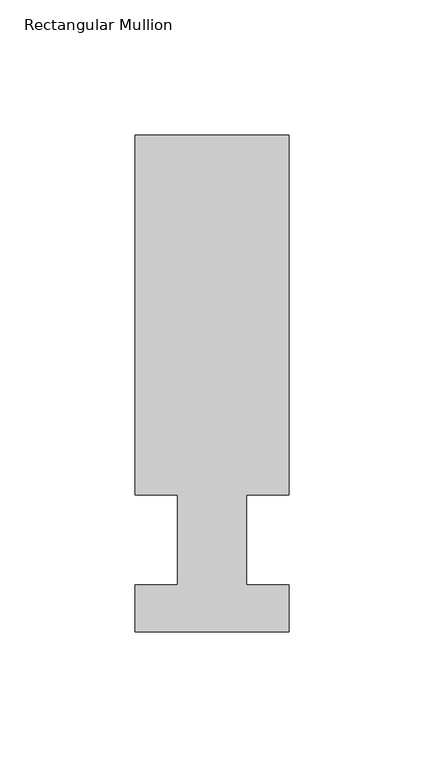
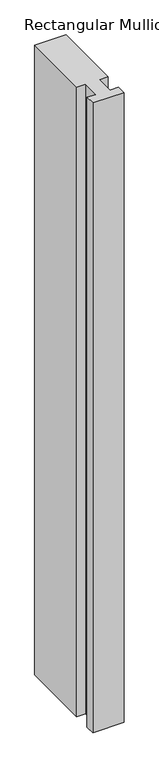
"""IFC4 building model written with IfcOpenShell, lengths in millimetres: member geometry, Rectangular Mullion."""

from ifc_helpers import new_model, si_unit, frame, origin, place, context, project, spatial, polyline, outline, extrude, source, transform, mapped, element, save


def rectangular_mullion_6c7be62c(model_context):
    return source(origin(), model_context, "Body", "SweptSolid", [
        extrude(outline(polyline([(32.9094027, 150.01875), (32.9094027, 16.66875), (17.0344027, 16.66875), (17.0344027, -16.66875), (32.9094027, -16.66875), (32.9094027, -34.13125), (-24.2405973, -34.13125), (-24.2405973, -16.66875), (-8.3655973, -16.66875), (-8.3655973, 16.66875), (-24.2405973, 16.66875), (-24.2405973, 150.01875), (32.9094027, 150.01875)])), frame((0.0, 0.0, -1219.2), z_axis=(0.0, 0.0, 1.0), x_axis=(1.0, 0.0, 0.0)), (0.0, 0.0, 1.0), 1219.2),
    ])


if __name__ == "__main__":
    model = new_model("IFC4")
    model_context = context("Model", 3, world=origin())
    ifc_project = project(units=[si_unit("LENGTHUNIT", "METRE", prefix="MILLI")], contexts=[model_context])
    site = spatial("IfcSite", under=ifc_project)
    building = spatial("IfcBuilding", under=site)
    placement = place(None, origin())
    rectangular_mullion_shape = rectangular_mullion_6c7be62c(model_context)
    element("IfcMember", 1, ObjectType="Rectangular Mullion", at=placement, inside=building, context=model_context, shape_type="MappedRepresentation", body=[
        mapped(rectangular_mullion_shape, transform((0.0, 0.0, 0.0), x_axis=(1.0, 0.0, 0.0), y_axis=(0.0, 1.0, 0.0), z_axis=(0.0, 0.0, 1.0))),
    ])
    save(model, "model.ifc")
